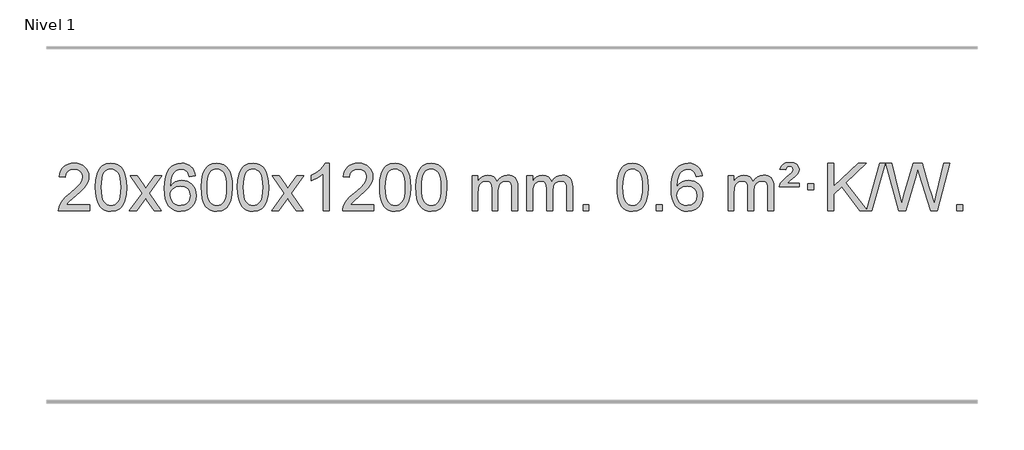
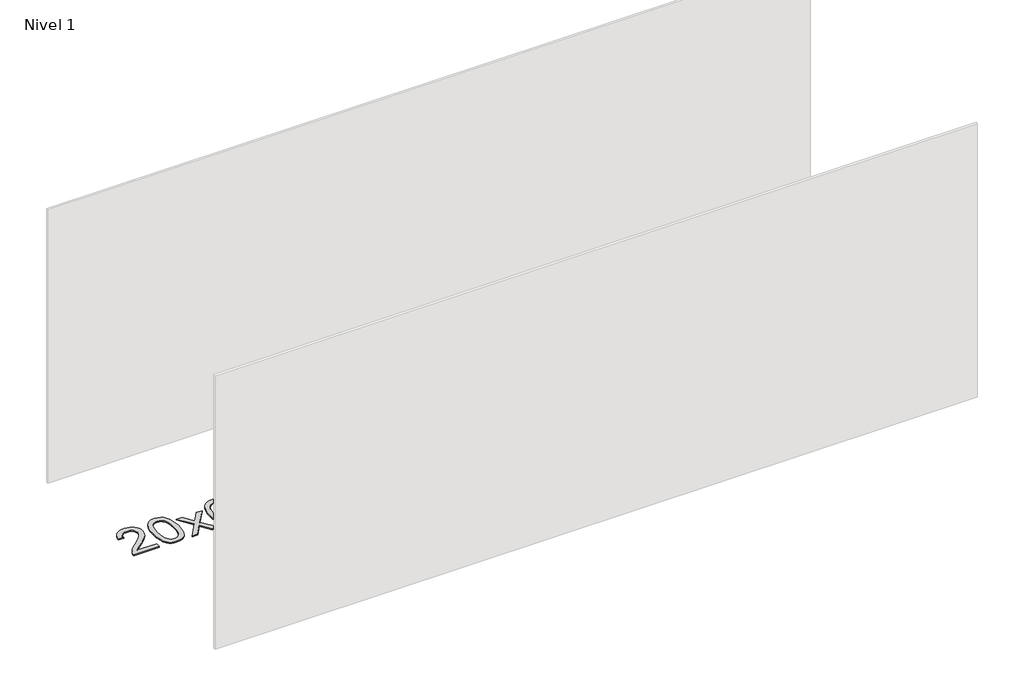
# One storey, part 3 of 3: 1 proxy.
"""IFC4 building model written with IfcOpenShell, lengths in millimetres."""

import ifcopenshell
import ifcopenshell.guid

model = None  # the IFC model being written
_history = None  # IfcOwnerHistory: only IFC2X3 demands one
_inside = {}  # id of a spatial element -> (the spatial element, [elements in it])
_under = {}  # id of a project, library or spatial element -> (it, [spatial elements below it])
_declared = {}  # id of a project -> (the project, [libraries it declares])
_typed = {}  # id of a type object -> (the type object, [elements of that type])
_made_of = {}  # id of a material, layer set ... -> (it, [elements and type objects made of it])


def new_model(schema):
    """Start an empty IFC model of exactly this schema.

    Asked for "IFC4X3", IfcOpenShell would pick the latest addendum, in which some entities
    have other attributes; the version numbers below select the first issue.
    IFC2X3 requires an IfcOwnerHistory on every rooted entity: one is made here for all.
    """
    global model, _history
    if schema == "IFC4X3":
        model = ifcopenshell.file(schema_version=(4, 3, 0, 0))
    else:
        model = ifcopenshell.file(schema=schema)
    _inside.clear()
    _under.clear()
    _declared.clear()
    _typed.clear()
    _made_of.clear()
    _history = None
    if model.schema == "IFC2X3":
        org = make("IfcOrganization", Name="unknown")
        user = make(
            "IfcPersonAndOrganization",
            ThePerson=make("IfcPerson", FamilyName="unknown"),
            TheOrganization=org,
        )
        app = make(
            "IfcApplication",
            ApplicationDeveloper=org,
            Version="unknown",
            ApplicationFullName="unknown",
            ApplicationIdentifier="unknown",
        )
        _history = make(
            "IfcOwnerHistory",
            OwningUser=user,
            OwningApplication=app,
            ChangeAction="ADDED",
            CreationDate=0,
        )
    return model


def make(cls, **values):
    """One entity of the class cls with the attributes given. An attribute that is None is left unset."""
    return model.create_entity(
        cls, **{name: value for name, value in values.items() if value is not None}
    )


def rooted(cls, **values):
    """An entity with a GlobalId (a new one), such as an element, a storey or a relation."""
    return make(cls, GlobalId=ifcopenshell.guid.new(), OwnerHistory=_history, **values)


def si_unit(unit_type, name, prefix=None):
    """IfcSIUnit, for example si_unit("LENGTHUNIT", "METRE", prefix="MILLI")."""
    return make("IfcSIUnit", UnitType=unit_type, Prefix=prefix, Name=name)


def assignment(units):
    """IfcUnitAssignment: the units of a project."""
    return None if units is None else make("IfcUnitAssignment", Units=units)


def point(xyz):
    """IfcCartesianPoint."""
    return None if xyz is None else make("IfcCartesianPoint", Coordinates=xyz)


def direction(xyz):
    """IfcDirection."""
    return None if xyz is None else make("IfcDirection", DirectionRatios=xyz)


def frame(location, z_axis=None, x_axis=None):
    """IfcAxis2Placement3D, a coordinate frame: its origin and axes. An axis left out is left unset."""
    return make(
        "IfcAxis2Placement3D",
        Location=point(location),
        Axis=direction(z_axis),
        RefDirection=direction(x_axis),
    )


def origin():
    """The frame at (0, 0, 0) with its axes left unset."""
    return frame((0.0, 0.0, 0.0))


def origin_with_axes():
    """The frame at (0, 0, 0) with the z axis (0, 0, 1) and the x axis (1, 0, 0) written out."""
    return frame((0.0, 0.0, 0.0), z_axis=(0.0, 0.0, 1.0), x_axis=(1.0, 0.0, 0.0))


def place(relative_to, where):
    """IfcLocalPlacement: puts the frame where relative to a parent placement (None: the world)."""
    return make(
        "IfcLocalPlacement", PlacementRelTo=relative_to, RelativePlacement=where
    )


def context(
    kind, dimensions, precision=None, world=None, true_north=None, identifier=None
):
    """IfcGeometricRepresentationContext, for example the 3D "Model" context."""
    return make(
        "IfcGeometricRepresentationContext",
        ContextIdentifier=identifier,
        ContextType=kind,
        CoordinateSpaceDimension=dimensions,
        Precision=precision,
        WorldCoordinateSystem=world,
        TrueNorth=true_north,
    )


def project(units=None, contexts=None):
    """IfcProject with its units and contexts."""
    return rooted(
        "IfcProject",
        Name="project",
        RepresentationContexts=contexts,
        UnitsInContext=assignment(units),
    )


def spatial(cls, under=None, at=None, **own):
    """A site, building, storey or space (cls), placed at a placement, below another one or the project."""
    s = rooted(cls, ObjectPlacement=at, **own)
    if under is not None:
        _under.setdefault(under.id(), (under, []))[1].append(s)
    return s


def polyline(points):
    """IfcPolyline through the points."""
    return make("IfcPolyline", Points=[point(p) for p in points])


def outline(outer, holes=None, kind="AREA"):
    """IfcArbitraryClosedProfileDef: a profile drawn as a closed curve; with holes, ...WithVoids."""
    if holes is None:
        return make("IfcArbitraryClosedProfileDef", ProfileType=kind, OuterCurve=outer)
    return make(
        "IfcArbitraryProfileDefWithVoids",
        ProfileType=kind,
        OuterCurve=outer,
        InnerCurves=holes,
    )


def extrude(swept, where, along, depth):
    """IfcExtrudedAreaSolid: the profile swept, set in the frame where, extruded along a direction by depth."""
    return make(
        "IfcExtrudedAreaSolid",
        SweptArea=swept,
        Position=where,
        ExtrudedDirection=direction(along),
        Depth=depth,
    )


def shape(context_of_items, identifier, shape_type, items):
    """IfcShapeRepresentation: the items that make up one representation, for example the "Body"."""
    return make(
        "IfcShapeRepresentation",
        ContextOfItems=context_of_items,
        RepresentationIdentifier=identifier,
        RepresentationType=shape_type,
        Items=items,
    )


def made_of(thing, what):
    """Note that an element or type object is made of a material, layer set ...; save() writes the relation."""
    if what is not None:
        _made_of.setdefault(what.id(), (what, []))[1].append(thing)
    return thing


def element(
    cls,
    number,
    at=None,
    inside=None,
    cuts=None,
    type_object=None,
    material=None,
    context=None,
    identifier="Body",
    shape_type=None,
    held_by="IfcProductDefinitionShape",
    body=None,
    shapes=None,
    **own,
):
    """One element of the class cls, such as IfcWall. Its Tag is "e" and its number.

    at: its placement. inside: the storey or other place that contains it. cuts: it is an
    opening in that element (IfcRelVoidsElement). A single representation is given by context,
    identifier, shape_type and body (its items); several are given by shapes. held_by: the class
    of the entity that holds the representations. save() writes the other relations.
    """
    e = rooted(cls, Tag="e%d" % number, ObjectPlacement=at, **own)
    if body is not None:
        shapes = [shape(context, identifier, shape_type, body)]
    if shapes is not None:
        e.Representation = make(held_by, Representations=shapes)
    if inside is not None:
        _inside.setdefault(inside.id(), (inside, []))[1].append(e)
    if cuts is not None:
        rooted(
            "IfcRelVoidsElement", RelatingBuildingElement=cuts, RelatedOpeningElement=e
        )
    if type_object is not None:
        _typed.setdefault(type_object.id(), (type_object, []))[1].append(e)
    return made_of(e, material)


def aggregate(whole, parts):
    """IfcRelAggregates: a whole, such as a stair, and the parts it consists of."""
    return rooted("IfcRelAggregates", RelatingObject=whole, RelatedObjects=parts)


def save(model, path):
    """Write the relations noted so far, then the file.

    IfcRelAggregates (storeys below a building ...), IfcRelContainedInSpatialStructure (elements
    in a storey), IfcRelDefinesByType, IfcRelAssociatesMaterial and IfcRelDeclares: one each for
    every whole, place, type object, material and project.
    """
    for whole, parts in _under.values():
        aggregate(whole, parts)
    for where, things in _inside.values():
        rooted(
            "IfcRelContainedInSpatialStructure",
            RelatedElements=things,
            RelatingStructure=where,
        )
    for kind, things in _typed.values():
        rooted("IfcRelDefinesByType", RelatedObjects=things, RelatingType=kind)
    for what, things in _made_of.values():
        rooted("IfcRelAssociatesMaterial", RelatedObjects=things, RelatingMaterial=what)
    for by, libraries in _declared.values():
        rooted("IfcRelDeclares", RelatingContext=by, RelatedDefinitions=libraries)
    model.write(path)


model = new_model("IFC4")

# Units and contexts
model_context = context("Model", 3, world=origin())
ifc_project = project(units=[si_unit("LENGTHUNIT", "METRE", prefix="MILLI")], contexts=[model_context])

# Site, building, storey
site = spatial("IfcSite", under=ifc_project)
building = spatial("IfcBuilding", under=site)
storey = spatial("IfcBuildingStorey", under=building, Name="Nivel 1", Elevation=0.0)

# Proxy
placement = place(None, origin())
element("IfcBuildingElementProxy", 1, Name="Texto de modelo 1", ObjectType="Texto de modelo 1", at=placement, inside=storey, context=model_context, shape_type="SweptSolid", body=[
    extrude(outline(polyline([(133.5548015, 2658.6487021), (133.5548015, 2608.420547), (-130.1430126, 2608.420547), (-129.0393666, 2626.1034082), (-124.74741, 2643.0505055), (-112.3620495, 2670.1143576), (-94.2377299, 2696.3688693), (-68.0200064, 2723.8496544), (-31.3544342, 2754.5923264), (22.8468464, 2802.7358169), (55.3676148, 2838.2732176), (71.627999, 2867.115166), (77.0481271, 2895.1722995), (71.9345673, 2920.3231653), (56.5938881, 2941.2311253), (33.0126522, 2955.3210057), (3.1774224, 2960.0176325), (-28.1538608, 2955.4313703), (-52.4953862, 2941.6725837), (-68.2039474, 2919.8203932), (-73.6363382, 2890.9539193), (-123.8644932, 2897.2324387), (-119.5449455, 2923.161988), (-111.6875992, 2945.8173875), (-100.2924544, 2965.1986373), (-85.3595111, 2981.3057373), (-67.2321258, 2993.9670093), (-46.253655, 3003.010775), (-22.4240988, 3008.4370345), (4.2565429, 3010.2457876), (31.1763079, 3008.2346994), (55.1346229, 3002.2014346), (76.1314878, 2992.1459934), (94.1669026, 2978.0683758), (108.6522561, 2961.0109139), (118.9989372, 2942.0159402), (125.2069459, 2921.0834547), (127.2762821, 2898.2134573), (125.0444647, 2874.1907631), (118.3490124, 2850.5850017), (106.4664239, 2826.5745701), (88.6731981, 2801.3378653), (60.3094963, 2771.2083299), (16.7154798, 2732.5194067), (-41.0665189, 2684.204238), (-63.7280498, 2658.6487021), (133.5548015, 2658.6487021)])), origin_with_axes(), (0.0, 0.0, 1.0), 10.0),
    extrude(outline(polyline([(183.7829566, 2806.0958057), (187.4740393, 2870.4138412), (198.5472873, 2921.7088541), (216.8923362, 2960.7656593), (228.7503991, 2975.9990395), (242.3988212, 2988.3690716), (257.8835875, 2997.9401349), (275.2506833, 3004.7766086), (315.6318637, 3010.2457876), (346.5830022, 3007.008426), (374.2967792, 2997.2963414), (397.4733449, 2981.4896783), (414.8128496, 2959.9685816), (427.9094486, 2932.9169922), (438.3572973, 2900.5188512), (445.1999024, 2859.3773814), (447.4807707, 2806.0958057), (443.8264762, 2742.1456523), (432.8635928, 2690.9732667), (414.6289086, 2651.8796734), (402.7984367, 2636.6003078), (389.1592118, 2624.1658964), (373.6560514, 2614.5304538), (356.2337732, 2607.6479948), (315.6318637, 2602.1420276), (287.9671376, 2604.5332606), (263.4416713, 2611.7069595), (242.0554646, 2623.6631243), (223.8085177, 2640.4017551), (206.2973347, 2670.6600492), (193.7893469, 2708.3618224), (186.2845542, 2753.5070745), (183.7829566, 2806.0958057)]), holes=[polyline([(234.0111117, 2806.1939076), (235.4826396, 2762.5293805), (239.8972236, 2727.1851178), (247.2548635, 2700.1611196), (257.5555594, 2681.4573858), (270.0144963, 2668.7317344), (283.8468593, 2659.6419835), (299.0526484, 2654.1881329), (315.6318637, 2652.3701827), (332.2110789, 2654.1942643), (347.416868, 2659.6665089), (361.2492311, 2668.7869167), (373.708168, 2681.5554876), (384.0088638, 2700.2898783), (391.3665037, 2727.3077451), (395.7810877, 2762.6090882), (397.2526157, 2806.1939076), (395.8301386, 2848.7026722), (391.5627075, 2883.4246011), (384.4503222, 2910.3596945), (374.4929829, 2929.5079524), (362.2425125, 2942.8559375), (348.2507339, 2952.3902125), (332.5176472, 2958.1107775), (315.0432525, 2960.0176325), (298.5498764, 2958.3376381), (283.6016046, 2953.2976548), (270.1984373, 2944.8976825), (258.3403743, 2933.1377214), (247.6963219, 2912.291075), (240.0934273, 2884.1848906), (235.5316906, 2848.8191681), (234.0111117, 2806.1939076)])]), origin_with_axes(), (0.0, 0.0, 1.0), 10.0),
    extrude(outline(polyline([(472.5948483, 2608.420547), (579.918289, 2756.7505675), (478.8733677, 2903.5109581), (539.3041167, 2903.5109581), (588.0607438, 2832.877615), (610.8203766, 2799.5229808), (630.5388515, 2826.7952993), (686.0645073, 2903.5109581), (746.4952564, 2903.5109581), (640.3490381, 2756.7505675), (742.5711818, 2608.420547), (682.1404327, 2608.420547), (620.6305631, 2697.5951426), (609.3488486, 2713.8800523), (533.0255973, 2608.420547), (472.5948483, 2608.420547)])), origin_with_axes(), (0.0, 0.0, 1.0), 10.0),
    extrude(outline(polyline([(1031.3830735, 2903.5109581), (981.1549184, 2897.2324387), (973.0615145, 2922.125787), (962.1231565, 2939.1219352), (939.3389983, 2954.7937082), (911.7968996, 2960.0176325), (888.4486556, 2956.9764747), (866.4738378, 2947.8530012), (847.6014914, 2928.6372983), (832.1872358, 2902.1865829), (821.7761754, 2864.772984), (817.9134144, 2812.6686307), (838.061085, 2836.1762902), (862.2064066, 2852.7432427), (889.0004786, 2862.565692), (917.0944003, 2865.8398418), (941.2274592, 2863.601893), (963.4965826, 2856.8880466), (983.9017706, 2845.6983025), (1002.4430232, 2830.0326609), (1017.8511474, 2810.8230894), (1028.8569504, 2789.0015557), (1035.4604323, 2764.5680599), (1037.6615929, 2737.5226018), (1033.5167891, 2701.5560055), (1021.0823776, 2668.213634), (1001.3884281, 2639.9357713), (975.4650102, 2619.1627013), (944.4893462, 2606.397196), (909.6386585, 2602.1420276), (879.6961298, 2604.9624563), (852.6537375, 2613.4237421), (828.5114816, 2627.5258853), (807.269362, 2647.2688857), (789.9513171, 2673.4866092), (777.581285, 2707.0129217), (770.1592658, 2747.8478232), (767.6852593, 2795.9913136), (770.4321116, 2849.9657337), (778.6726683, 2896.0306908), (792.4069294, 2934.1861851), (811.634895, 2964.4322165), (832.4754101, 2984.4756538), (856.6391258, 2998.7923948), (884.1260422, 3007.3824394), (914.9361593, 3010.2457876), (938.0698054, 3008.4738227), (959.0084223, 3003.1579278), (977.7520099, 2994.2981031), (994.3005684, 2981.8943485), (1008.2065078, 2966.3635969), (1019.0222384, 2948.1227814), (1026.7477603, 2927.1719017), (1031.3830735, 2903.5109581)]), holes=[polyline([(817.9134144, 2738.3074168), (820.8196822, 2716.0505561), (829.5384855, 2694.7992395), (843.0765429, 2676.527767), (860.4405731, 2663.2104388), (881.397584, 2655.0802467), (905.7145839, 2652.3701827), (938.8607517, 2657.9865145), (952.7758882, 2665.0069292), (964.9190597, 2674.8355099), (974.7691001, 2687.0737176), (981.8048433, 2701.3230135), (987.4334378, 2735.8548701), (981.8784197, 2769.0010379), (974.934647, 2782.6218688), (965.2133653, 2794.274531), (953.0334056, 2803.6095366), (938.7135989, 2810.2773978), (903.6544448, 2815.6116867), (870.5573279, 2810.2773978), (842.8803392, 2794.274531), (831.9573096, 2782.7751529), (824.1551456, 2769.6141746), (819.4738472, 2754.7915958), (817.9134144, 2738.3074168)])]), origin_with_axes(), (0.0, 0.0, 1.0), 10.0),
    extrude(outline(polyline([(1081.6112286, 2806.0958057), (1085.3023112, 2870.4138412), (1096.3755593, 2921.7088541), (1114.7206081, 2960.7656593), (1126.5786711, 2975.9990395), (1140.2270931, 2988.3690716), (1155.7118594, 2997.9401349), (1173.0789553, 3004.7766086), (1213.4601356, 3010.2457876), (1244.4112742, 3007.008426), (1272.1250511, 2997.2963414), (1295.3016168, 2981.4896783), (1312.6411215, 2959.9685816), (1325.7377206, 2932.9169922), (1336.1855692, 2900.5188512), (1343.0281743, 2859.3773814), (1345.3090427, 2806.0958057), (1341.6547482, 2742.1456523), (1330.6918648, 2690.9732667), (1312.4571805, 2651.8796734), (1300.6267087, 2636.6003078), (1286.9874837, 2624.1658964), (1271.4843233, 2614.5304538), (1254.0620452, 2607.6479948), (1213.4601356, 2602.1420276), (1185.7954096, 2604.5332606), (1161.2699432, 2611.7069595), (1139.8837366, 2623.6631243), (1121.6367896, 2640.4017551), (1104.1256067, 2670.6600492), (1091.6176188, 2708.3618224), (1084.1128261, 2753.5070745), (1081.6112286, 2806.0958057)]), holes=[polyline([(1131.8393836, 2806.1939076), (1133.3109116, 2762.5293805), (1137.7254956, 2727.1851178), (1145.0831355, 2700.1611196), (1155.3838313, 2681.4573858), (1167.8427682, 2668.7317344), (1181.6751312, 2659.6419835), (1196.8809204, 2654.1881329), (1213.4601356, 2652.3701827), (1230.0393509, 2654.1942643), (1245.24514, 2659.6665089), (1259.077503, 2668.7869167), (1271.5364399, 2681.5554876), (1281.8371358, 2700.2898783), (1289.1947757, 2727.3077451), (1293.6093596, 2762.6090882), (1295.0808876, 2806.1939076), (1293.6584106, 2848.7026722), (1289.3909794, 2883.4246011), (1282.2785942, 2910.3596945), (1272.3212549, 2929.5079524), (1260.0707844, 2942.8559375), (1246.0790059, 2952.3902125), (1230.3459192, 2958.1107775), (1212.8715244, 2960.0176325), (1196.3781483, 2958.3376381), (1181.4298766, 2953.2976548), (1168.0267092, 2944.8976825), (1156.1686462, 2933.1377214), (1145.5245938, 2912.291075), (1137.9216993, 2884.1848906), (1133.3599625, 2848.8191681), (1131.8393836, 2806.1939076)])]), origin_with_axes(), (0.0, 0.0, 1.0), 10.0),
    extrude(outline(polyline([(1389.2586784, 2806.0958057), (1392.9497611, 2870.4138412), (1404.0230091, 2921.7088541), (1422.368058, 2960.7656593), (1434.2261209, 2975.9990395), (1447.874543, 2988.3690716), (1463.3593093, 2997.9401349), (1480.7264051, 3004.7766086), (1521.1075855, 3010.2457876), (1552.058724, 3007.008426), (1579.772501, 2997.2963414), (1602.9490667, 2981.4896783), (1620.2885714, 2959.9685816), (1633.3851704, 2932.9169922), (1643.833019, 2900.5188512), (1650.6756242, 2859.3773814), (1652.9564925, 2806.0958057), (1649.302198, 2742.1456523), (1638.3393146, 2690.9732667), (1620.1046304, 2651.8796734), (1608.2741585, 2636.6003078), (1594.6349336, 2624.1658964), (1579.1317731, 2614.5304538), (1561.709495, 2607.6479948), (1521.1075855, 2602.1420276), (1493.4428594, 2604.5332606), (1468.9173931, 2611.7069595), (1447.5311864, 2623.6631243), (1429.2842395, 2640.4017551), (1411.7730565, 2670.6600492), (1399.2650687, 2708.3618224), (1391.760276, 2753.5070745), (1389.2586784, 2806.0958057)]), holes=[polyline([(1439.4868335, 2806.1939076), (1440.9583614, 2762.5293805), (1445.3729454, 2727.1851178), (1452.7305853, 2700.1611196), (1463.0312812, 2681.4573858), (1475.4902181, 2668.7317344), (1489.3225811, 2659.6419835), (1504.5283702, 2654.1881329), (1521.1075855, 2652.3701827), (1537.6868007, 2654.1942643), (1552.8925898, 2659.6665089), (1566.7249529, 2668.7869167), (1579.1838898, 2681.5554876), (1589.4845856, 2700.2898783), (1596.8422255, 2727.3077451), (1601.2568095, 2762.6090882), (1602.7283375, 2806.1939076), (1601.3058604, 2848.7026722), (1597.0384293, 2883.4246011), (1589.926044, 2910.3596945), (1579.9687047, 2929.5079524), (1567.7182342, 2942.8559375), (1553.7264557, 2952.3902125), (1537.993369, 2958.1107775), (1520.5189743, 2960.0176325), (1504.0255981, 2958.3376381), (1489.0773264, 2953.2976548), (1475.6741591, 2944.8976825), (1463.8160961, 2933.1377214), (1453.1720437, 2912.291075), (1445.5691491, 2884.1848906), (1441.0074124, 2848.8191681), (1439.4868335, 2806.1939076)])]), origin_with_axes(), (0.0, 0.0, 1.0), 10.0),
    extrude(outline(polyline([(1678.0705701, 2608.420547), (1785.3940108, 2756.7505675), (1684.3490895, 2903.5109581), (1744.7798385, 2903.5109581), (1793.5364656, 2832.877615), (1816.2960984, 2799.5229808), (1836.0145733, 2826.7952993), (1891.5402291, 2903.5109581), (1951.9709782, 2903.5109581), (1845.8247599, 2756.7505675), (1948.0469036, 2608.420547), (1887.6161545, 2608.420547), (1826.1062849, 2697.5951426), (1814.8245704, 2713.8800523), (1738.5013191, 2608.420547), (1678.0705701, 2608.420547)])), origin_with_axes(), (0.0, 0.0, 1.0), 10.0),
    extrude(outline(polyline([(2167.795082, 2608.420547), (2117.566927, 2608.420547), (2117.566927, 2921.5617013), (2096.5976532, 2904.6023413), (2069.9875223, 2887.6675068), (2017.1106168, 2862.3081746), (2017.1106168, 2909.7894775), (2056.5598294, 2931.2492605), (2090.7360668, 2956.780271), (2117.6772916, 2983.9299622), (2135.4214665, 3010.2457876), (2167.795082, 3010.2457876), (2167.795082, 2608.420547)])), origin_with_axes(), (0.0, 0.0, 1.0), 10.0),
    extrude(outline(polyline([(2544.5062451, 2658.6487021), (2544.5062451, 2608.420547), (2280.808431, 2608.420547), (2281.9120769, 2626.1034082), (2286.2040336, 2643.0505055), (2298.5893941, 2670.1143576), (2316.7137137, 2696.3688693), (2342.9314372, 2723.8496544), (2379.5970094, 2754.5923264), (2433.79829, 2802.7358169), (2466.3190584, 2838.2732176), (2482.5794426, 2867.115166), (2487.9995706, 2895.1722995), (2482.8860109, 2920.3231653), (2467.5453317, 2941.2311253), (2443.9640958, 2955.3210057), (2414.128866, 2960.0176325), (2382.7975828, 2955.4313703), (2358.4560574, 2941.6725837), (2342.7474962, 2919.8203932), (2337.3151054, 2890.9539193), (2287.0869503, 2897.2324387), (2291.4064981, 2923.161988), (2299.2638444, 2945.8173875), (2310.6589892, 2965.1986373), (2325.5919325, 2981.3057373), (2343.7193178, 2993.9670093), (2364.6977886, 3003.010775), (2388.5273448, 3008.4370345), (2415.2079865, 3010.2457876), (2442.1277515, 3008.2346994), (2466.0860665, 3002.2014346), (2487.0829313, 2992.1459934), (2505.1183462, 2978.0683758), (2519.6036997, 2961.0109139), (2529.9503808, 2942.0159402), (2536.1583895, 2921.0834547), (2538.2277257, 2898.2134573), (2535.9959083, 2874.1907631), (2529.300456, 2850.5850017), (2517.4178675, 2826.5745701), (2499.6246417, 2801.3378653), (2471.2609399, 2771.2083299), (2427.6669234, 2732.5194067), (2369.8849247, 2684.204238), (2347.2233938, 2658.6487021), (2544.5062451, 2658.6487021)])), origin_with_axes(), (0.0, 0.0, 1.0), 10.0),
    extrude(outline(polyline([(2594.7344002, 2806.0958057), (2598.4254829, 2870.4138412), (2609.4987309, 2921.7088541), (2627.8437797, 2960.7656593), (2639.7018427, 2975.9990395), (2653.3502647, 2988.3690716), (2668.8350311, 2997.9401349), (2686.2021269, 3004.7766086), (2726.5833073, 3010.2457876), (2757.5344458, 3007.008426), (2785.2482228, 2997.2963414), (2808.4247884, 2981.4896783), (2825.7642932, 2959.9685816), (2838.8608922, 2932.9169922), (2849.3087408, 2900.5188512), (2856.151346, 2859.3773814), (2858.4322143, 2806.0958057), (2854.7779198, 2742.1456523), (2843.8150364, 2690.9732667), (2825.5803522, 2651.8796734), (2813.7498803, 2636.6003078), (2800.1106554, 2624.1658964), (2784.6074949, 2614.5304538), (2767.1852168, 2607.6479948), (2726.5833073, 2602.1420276), (2698.9185812, 2604.5332606), (2674.3931149, 2611.7069595), (2653.0069082, 2623.6631243), (2634.7599613, 2640.4017551), (2617.2487783, 2670.6600492), (2604.7407905, 2708.3618224), (2597.2359977, 2753.5070745), (2594.7344002, 2806.0958057)]), holes=[polyline([(2644.9625553, 2806.1939076), (2646.4340832, 2762.5293805), (2650.8486672, 2727.1851178), (2658.2063071, 2700.1611196), (2668.5070029, 2681.4573858), (2680.9659399, 2668.7317344), (2694.7983029, 2659.6419835), (2710.004092, 2654.1881329), (2726.5833073, 2652.3701827), (2743.1625225, 2654.1942643), (2758.3683116, 2659.6665089), (2772.2006747, 2668.7869167), (2784.6596116, 2681.5554876), (2794.9603074, 2700.2898783), (2802.3179473, 2727.3077451), (2806.7325313, 2762.6090882), (2808.2040592, 2806.1939076), (2806.7815822, 2848.7026722), (2802.5141511, 2883.4246011), (2795.4017658, 2910.3596945), (2785.4444265, 2929.5079524), (2773.193956, 2942.8559375), (2759.2021775, 2952.3902125), (2743.4690908, 2958.1107775), (2725.9946961, 2960.0176325), (2709.5013199, 2958.3376381), (2694.5530482, 2953.2976548), (2681.1498808, 2944.8976825), (2669.2918179, 2933.1377214), (2658.6477655, 2912.291075), (2651.0448709, 2884.1848906), (2646.4831342, 2848.8191681), (2644.9625553, 2806.1939076)])]), origin_with_axes(), (0.0, 0.0, 1.0), 10.0),
    extrude(outline(polyline([(2902.38185, 2806.0958057), (2906.0729327, 2870.4138412), (2917.1461808, 2921.7088541), (2935.4912296, 2960.7656593), (2947.3492926, 2975.9990395), (2960.9977146, 2988.3690716), (2976.4824809, 2997.9401349), (2993.8495767, 3004.7766086), (3034.2307571, 3010.2457876), (3065.1818956, 3007.008426), (3092.8956726, 2997.2963414), (3116.0722383, 2981.4896783), (3133.411743, 2959.9685816), (3146.508342, 2932.9169922), (3156.9561907, 2900.5188512), (3163.7987958, 2859.3773814), (3166.0796642, 2806.0958057), (3162.4253697, 2742.1456523), (3151.4624862, 2690.9732667), (3133.227802, 2651.8796734), (3121.3973302, 2636.6003078), (3107.7581052, 2624.1658964), (3092.2549448, 2614.5304538), (3074.8326666, 2607.6479948), (3034.2307571, 2602.1420276), (3006.566031, 2604.5332606), (2982.0405647, 2611.7069595), (2960.6543581, 2623.6631243), (2942.4074111, 2640.4017551), (2924.8962281, 2670.6600492), (2912.3882403, 2708.3618224), (2904.8834476, 2753.5070745), (2902.38185, 2806.0958057)]), holes=[polyline([(2952.6100051, 2806.1939076), (2954.0815331, 2762.5293805), (2958.496117, 2727.1851178), (2965.8537569, 2700.1611196), (2976.1544528, 2681.4573858), (2988.6133897, 2668.7317344), (3002.4457527, 2659.6419835), (3017.6515418, 2654.1881329), (3034.2307571, 2652.3701827), (3050.8099723, 2654.1942643), (3066.0157615, 2659.6665089), (3079.8481245, 2668.7869167), (3092.3070614, 2681.5554876), (3102.6077573, 2700.2898783), (3109.9653972, 2727.3077451), (3114.3799811, 2762.6090882), (3115.8515091, 2806.1939076), (3114.429032, 2848.7026722), (3110.1616009, 2883.4246011), (3103.0492157, 2910.3596945), (3093.0918763, 2929.5079524), (3080.8414059, 2942.8559375), (3066.8496273, 2952.3902125), (3051.1165407, 2958.1107775), (3033.6421459, 2960.0176325), (3017.1487698, 2958.3376381), (3002.200498, 2953.2976548), (2988.7973307, 2944.8976825), (2976.9392677, 2933.1377214), (2966.2952153, 2912.291075), (2958.6923207, 2884.1848906), (2954.130584, 2848.8191681), (2952.6100051, 2806.1939076)])]), origin_with_axes(), (0.0, 0.0, 1.0), 10.0),
    extrude(outline(polyline([(3379.5493232, 2608.420547), (3379.5493232, 2903.5109581), (3429.7774783, 2903.5109581), (3429.7774783, 2854.9505347), (3444.8851656, 2877.2564463), (3464.3093349, 2894.7308411), (3487.3877987, 2906.0248184), (3513.4583695, 2909.7894775), (3541.3928756, 2905.951242), (3563.7846264, 2894.4365355), (3580.5109945, 2876.0056476), (3591.4493524, 2851.4188676), (3609.7576131, 2876.9560094), (3630.6410477, 2895.196825), (3654.0996562, 2906.1413143), (3680.1334388, 2909.7894775), (3700.2412555, 2908.2719642), (3717.8903942, 2903.7194245), (3733.0808549, 2896.1318584), (3745.8126376, 2885.5092658), (3755.8772759, 2871.7290194), (3763.0663032, 2854.6684918), (3767.3797196, 2834.3276832), (3768.8175251, 2810.7065934), (3768.8175251, 2608.420547), (3718.58937, 2608.420547), (3718.58937, 2789.124183), (3717.4244103, 2814.1769469), (3713.9295314, 2831.0627305), (3707.3812319, 2842.6264879), (3697.0560105, 2851.7131732), (3683.7754705, 2857.5992851), (3668.3612149, 2859.5613224), (3641.15021, 2854.5336018), (3618.9669257, 2839.45044), (3610.3615527, 2827.8805512), (3604.2148577, 2813.2817674), (3599.2975017, 2774.9975144), (3599.2975017, 2608.420547), (3549.0693466, 2608.420547), (3549.0693466, 2794.7159894), (3546.1630788, 2823.1164794), (3537.4442756, 2843.3745146), (3522.1035964, 2855.5146204), (3499.3317009, 2859.5613224), (3479.9811079, 2856.8635211), (3462.1510939, 2848.7701172), (3447.4358141, 2835.4773144), (3437.4294238, 2817.1813165), (3431.6904647, 2791.7974589), (3429.7774783, 2757.2410768), (3429.7774783, 2608.420547), (3379.5493232, 2608.420547)])), origin_with_axes(), (0.0, 0.0, 1.0), 10.0),
    extrude(outline(polyline([(3844.1597577, 2608.420547), (3844.1597577, 2903.5109581), (3894.3879127, 2903.5109581), (3894.3879127, 2854.9505347), (3909.4956, 2877.2564463), (3928.9197694, 2894.7308411), (3951.9982332, 2906.0248184), (3978.0688039, 2909.7894775), (4006.0033101, 2905.951242), (4028.3950609, 2894.4365355), (4045.1214289, 2876.0056476), (4056.0597869, 2851.4188676), (4074.3680475, 2876.9560094), (4095.2514821, 2895.196825), (4118.7100907, 2906.1413143), (4144.7438732, 2909.7894775), (4164.8516899, 2908.2719642), (4182.5008286, 2903.7194245), (4197.6912893, 2896.1318584), (4210.4230721, 2885.5092658), (4220.4877103, 2871.7290194), (4227.6767376, 2854.6684918), (4231.990154, 2834.3276832), (4233.4279595, 2810.7065934), (4233.4279595, 2608.420547), (4183.1998044, 2608.420547), (4183.1998044, 2789.124183), (4182.0348448, 2814.1769469), (4178.5399658, 2831.0627305), (4171.9916663, 2842.6264879), (4161.666445, 2851.7131732), (4148.3859049, 2857.5992851), (4132.9716493, 2859.5613224), (4105.7606444, 2854.5336018), (4083.5773601, 2839.45044), (4074.9719871, 2827.8805512), (4068.8252921, 2813.2817674), (4063.9079361, 2774.9975144), (4063.9079361, 2608.420547), (4013.679781, 2608.420547), (4013.679781, 2794.7159894), (4010.7735133, 2823.1164794), (4002.05471, 2843.3745146), (3986.7140308, 2855.5146204), (3963.9421353, 2859.5613224), (3944.5915424, 2856.8635211), (3926.7615283, 2848.7701172), (3912.0462485, 2835.4773144), (3902.0398582, 2817.1813165), (3896.3008991, 2791.7974589), (3894.3879127, 2757.2410768), (3894.3879127, 2608.420547), (3844.1597577, 2608.420547)])), origin_with_axes(), (0.0, 0.0, 1.0), 10.0),
    extrude(outline(polyline([(4321.3272309, 2608.420547), (4321.3272309, 2658.6487021), (4371.555386, 2658.6487021), (4371.555386, 2608.420547), (4321.3272309, 2608.420547)])), origin_with_axes(), (0.0, 0.0, 1.0), 10.0),
    extrude(outline(polyline([(4610.1391226, 2806.0958057), (4613.8302052, 2870.4138412), (4624.9034533, 2921.7088541), (4643.2485021, 2960.7656593), (4655.1065651, 2975.9990395), (4668.7549871, 2988.3690716), (4684.2397534, 2997.9401349), (4701.6068493, 3004.7766086), (4741.9880296, 3010.2457876), (4772.9391682, 3007.008426), (4800.6529451, 2997.2963414), (4823.8295108, 2981.4896783), (4841.1690155, 2959.9685816), (4854.2656146, 2932.9169922), (4864.7134632, 2900.5188512), (4871.5560683, 2859.3773814), (4873.8369367, 2806.0958057), (4870.1826422, 2742.1456523), (4859.2197588, 2690.9732667), (4840.9850745, 2651.8796734), (4829.1546027, 2636.6003078), (4815.5153777, 2624.1658964), (4800.0122173, 2614.5304538), (4782.5899392, 2607.6479948), (4741.9880296, 2602.1420276), (4714.3233036, 2604.5332606), (4689.7978372, 2611.7069595), (4668.4116306, 2623.6631243), (4650.1646836, 2640.4017551), (4632.6535007, 2670.6600492), (4620.1455128, 2708.3618224), (4612.6407201, 2753.5070745), (4610.1391226, 2806.0958057)]), holes=[polyline([(4660.3672776, 2806.1939076), (4661.8388056, 2762.5293805), (4666.2533896, 2727.1851178), (4673.6110295, 2700.1611196), (4683.9117253, 2681.4573858), (4696.3706622, 2668.7317344), (4710.2030252, 2659.6419835), (4725.4088144, 2654.1881329), (4741.9880296, 2652.3701827), (4758.5672449, 2654.1942643), (4773.773034, 2659.6665089), (4787.605397, 2668.7869167), (4800.0643339, 2681.5554876), (4810.3650298, 2700.2898783), (4817.7226697, 2727.3077451), (4822.1372536, 2762.6090882), (4823.6087816, 2806.1939076), (4822.1863046, 2848.7026722), (4817.9188734, 2883.4246011), (4810.8064882, 2910.3596945), (4800.8491489, 2929.5079524), (4788.5986784, 2942.8559375), (4774.6068999, 2952.3902125), (4758.8738132, 2958.1107775), (4741.3994184, 2960.0176325), (4724.9060423, 2958.3376381), (4709.9577706, 2953.2976548), (4696.5546032, 2944.8976825), (4684.6965402, 2933.1377214), (4674.0524879, 2912.291075), (4666.4495933, 2884.1848906), (4661.8878565, 2848.8191681), (4660.3672776, 2806.1939076)])]), origin_with_axes(), (0.0, 0.0, 1.0), 10.0),
    extrude(outline(polyline([(4942.9006499, 2608.420547), (4942.9006499, 2658.6487021), (4993.128805, 2658.6487021), (4993.128805, 2608.420547), (4942.9006499, 2608.420547)])), origin_with_axes(), (0.0, 0.0, 1.0), 10.0),
    extrude(outline(polyline([(5332.1688518, 2903.5109581), (5281.9406967, 2897.2324387), (5273.8472928, 2922.125787), (5262.9089348, 2939.1219352), (5240.1247766, 2954.7937082), (5212.5826779, 2960.0176325), (5189.2344339, 2956.9764747), (5167.2596161, 2947.8530012), (5148.3872697, 2928.6372983), (5132.9730141, 2902.1865829), (5122.5619536, 2864.772984), (5118.6991927, 2812.6686307), (5138.8468633, 2836.1762902), (5162.9921849, 2852.7432427), (5189.7862569, 2862.565692), (5217.8801786, 2865.8398418), (5242.0132375, 2863.601893), (5264.2823609, 2856.8880466), (5284.6875489, 2845.6983025), (5303.2288015, 2830.0326609), (5318.6369257, 2810.8230894), (5329.6427287, 2789.0015557), (5336.2462105, 2764.5680599), (5338.4473711, 2737.5226018), (5334.3025673, 2701.5560055), (5321.8681559, 2668.213634), (5302.1742064, 2639.9357713), (5276.2507885, 2619.1627013), (5245.2751245, 2606.397196), (5210.4244368, 2602.1420276), (5180.4819081, 2604.9624563), (5153.4395158, 2613.4237421), (5129.2972598, 2627.5258853), (5108.0551403, 2647.2688857), (5090.7370954, 2673.4866092), (5078.3670633, 2707.0129217), (5070.945044, 2747.8478232), (5068.4710376, 2795.9913136), (5071.2178898, 2849.9657337), (5079.4584465, 2896.0306908), (5093.1927077, 2934.1861851), (5112.4206733, 2964.4322165), (5133.2611883, 2984.4756538), (5157.424904, 2998.7923948), (5184.9118205, 3007.3824394), (5215.7219376, 3010.2457876), (5238.8555837, 3008.4738227), (5259.7942006, 3003.1579278), (5278.5377882, 2994.2981031), (5295.0863466, 2981.8943485), (5308.9922861, 2966.3635969), (5319.8080167, 2948.1227814), (5327.5335386, 2927.1719017), (5332.1688518, 2903.5109581)]), holes=[polyline([(5118.6991927, 2738.3074168), (5121.6054605, 2716.0505561), (5130.3242637, 2694.7992395), (5143.8623212, 2676.527767), (5161.2263513, 2663.2104388), (5182.1833623, 2655.0802467), (5206.5003622, 2652.3701827), (5239.64653, 2657.9865145), (5253.5616664, 2665.0069292), (5265.704838, 2674.8355099), (5275.5548784, 2687.0737176), (5282.5906215, 2701.3230135), (5288.2192161, 2735.8548701), (5282.6641979, 2769.0010379), (5275.7204253, 2782.6218688), (5265.9991436, 2794.274531), (5253.8191838, 2803.6095366), (5239.4993772, 2810.2773978), (5204.440223, 2815.6116867), (5171.3431062, 2810.2773978), (5143.6661174, 2794.274531), (5132.7430879, 2782.7751529), (5124.9409239, 2769.6141746), (5120.2596255, 2754.7915958), (5118.6991927, 2738.3074168)])]), origin_with_axes(), (0.0, 0.0, 1.0), 10.0),
    extrude(outline(polyline([(5551.9170302, 2608.420547), (5551.9170302, 2903.5109581), (5602.1451853, 2903.5109581), (5602.1451853, 2854.9505347), (5617.2528726, 2877.2564463), (5636.6770419, 2894.7308411), (5659.7555057, 2906.0248184), (5685.8260765, 2909.7894775), (5713.7605826, 2905.951242), (5736.1523334, 2894.4365355), (5752.8787014, 2876.0056476), (5763.8170594, 2851.4188676), (5782.1253201, 2876.9560094), (5803.0087547, 2895.196825), (5826.4673632, 2906.1413143), (5852.5011457, 2909.7894775), (5872.6089625, 2908.2719642), (5890.2581012, 2903.7194245), (5905.4485619, 2896.1318584), (5918.1803446, 2885.5092658), (5928.2449829, 2871.7290194), (5935.4340102, 2854.6684918), (5939.7474266, 2834.3276832), (5941.185232, 2810.7065934), (5941.185232, 2608.420547), (5890.957077, 2608.420547), (5890.957077, 2789.124183), (5889.7921173, 2814.1769469), (5886.2972384, 2831.0627305), (5879.7489388, 2842.6264879), (5869.4237175, 2851.7131732), (5856.1431775, 2857.5992851), (5840.7289219, 2859.5613224), (5813.517917, 2854.5336018), (5791.3346327, 2839.45044), (5782.7292597, 2827.8805512), (5776.5825647, 2813.2817674), (5771.6652087, 2774.9975144), (5771.6652087, 2608.420547), (5721.4370536, 2608.420547), (5721.4370536, 2794.7159894), (5718.5307858, 2823.1164794), (5709.8119825, 2843.3745146), (5694.4713033, 2855.5146204), (5671.6994078, 2859.5613224), (5652.3488149, 2856.8635211), (5634.5188009, 2848.7701172), (5619.8035211, 2835.4773144), (5609.7971308, 2817.1813165), (5604.0581717, 2791.7974589), (5602.1451853, 2757.2410768), (5602.1451853, 2608.420547), (5551.9170302, 2608.420547)])), origin_with_axes(), (0.0, 0.0, 1.0), 10.0),
    extrude(outline(polyline([(5985.1348677, 2809.3331673), (5988.9608405, 2825.1520931), (5997.299499, 2841.0200698), (6018.808333, 2866.1586728), (6050.7650157, 2893.8969753), (6094.9108551, 2931.273786), (6102.0477658, 2942.8007552), (6104.426736, 2954.6220299), (6102.5382751, 2966.7130848), (6096.8728924, 2976.4987459), (6087.5041643, 2982.973469), (6074.5056671, 2985.1317101), (6062.0712557, 2983.5130293), (6053.2175623, 2978.656987), (6046.7918901, 2969.1901569), (6041.6415422, 2953.7391131), (5991.4133871, 2960.0176325), (6002.2536432, 2985.2298119), (6018.8819094, 3002.7900458), (6042.6470863, 3013.0907417), (6074.8980746, 3016.524307), (6110.68073, 3012.3917659), (6135.4269255, 2999.9941427), (6149.8478997, 2981.6613566), (6154.6548911, 2959.7233269), (6150.5591382, 2936.8165414), (6138.2718796, 2915.1850801), (6117.7440643, 2895.3685032), (6081.2746958, 2867.3113697), (6055.6701089, 2840.7257642), (6154.6548911, 2840.7257642), (6154.6548911, 2809.3331673), (5985.1348677, 2809.3331673)])), origin_with_axes(), (0.0, 0.0, 1.0), 10.0),
    extrude(outline(polyline([(6229.9971237, 2784.2190898), (6229.9971237, 2834.4472448), (6280.2252788, 2834.4472448), (6280.2252788, 2784.2190898), (6229.9971237, 2784.2190898)])), origin_with_axes(), (0.0, 0.0, 1.0), 10.0),
    extrude(outline(polyline([(6670.8669067, 2608.420547), (6517.4355893, 2811.0990009), (6449.7453022, 2746.5479735), (6449.7453022, 2608.420547), (6399.5171471, 2608.420547), (6399.5171471, 3010.2457876), (6449.7453022, 3010.2457876), (6449.7453022, 2813.5515475), (6655.7592195, 3010.2457876), (6726.0001551, 3010.2457876), (6553.0465664, 2845.0422463), (6727.7001763, 2614.4650668), (6839.013504, 3010.2457876), (6884.3365658, 3010.2457876), (6771.3232169, 2608.420547), (6732.2786745, 2608.420547), (6726.0001551, 2608.420547), (6670.8669067, 2608.420547)])), origin_with_axes(), (0.0, 0.0, 1.0), 10.0),
    extrude(outline(polyline([(6998.8214427, 2608.420547), (6889.2416591, 3010.2457876), (6941.039444, 3010.2457876), (7004.6094528, 2746.155566), (7024.2298258, 2664.6329159), (7045.223625, 2736.7377869), (7124.8823397, 3010.2457876), (7199.5378593, 3010.2457876), (7257.4179599, 2811.9819177), (7282.2132063, 2738.4055186), (7300.4846788, 2664.6329159), (7319.5164406, 2743.8011212), (7383.6750606, 3010.2457876), (7435.4728455, 3010.2457876), (7325.79496, 2608.420547), (7272.1332397, 2608.420547), (7175.7972079, 2918.4224416), (7162.3572523, 2961.6853642), (7147.249565, 2909.5932737), (7059.4483955, 2608.420547), (6998.8214427, 2608.420547)])), origin_with_axes(), (0.0, 0.0, 1.0), 10.0),
    extrude(outline(polyline([(7491.97952, 2608.420547), (7491.97952, 2658.6487021), (7542.2076751, 2658.6487021), (7542.2076751, 2608.420547), (7491.97952, 2608.420547)])), origin_with_axes(), (0.0, 0.0, 1.0), 10.0),
])

save(model, "model.ifc")
